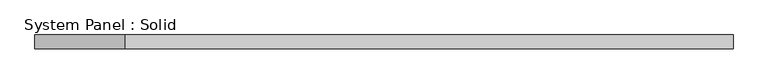
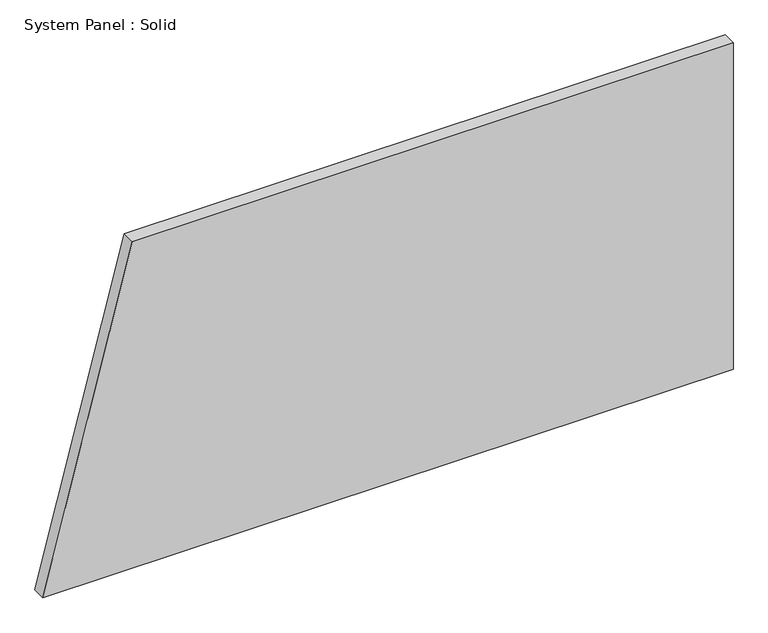
"""IFC4 building model written with IfcOpenShell, lengths in millimetres: plate geometry, System Panel : Solid."""

from ifc_helpers import new_model, si_unit, frame, origin, place, context, project, spatial, polyline, outline, extrude, source, transform, mapped, element, save


def system_panel_solid_f8a1e95d(model_context):
    return source(origin(), model_context, "Body", "SweptSolid", [
        extrude(outline(polyline([(0.0, -1500.0000002), (0.0, 1500.0000002), (1500.0, 1500.0000002), (1500.0, -1111.4334652), (0.0, -1500.0000002)])), frame((0.0, -10.5, 0.0), z_axis=(0.0, 1.0, 0.0), x_axis=(0.0, 0.0, 1.0)), (0.0, 0.0, 1.0), 60.0),
    ])


if __name__ == "__main__":
    model = new_model("IFC4")
    model_context = context("Model", 3, world=origin())
    ifc_project = project(units=[si_unit("LENGTHUNIT", "METRE", prefix="MILLI")], contexts=[model_context])
    site = spatial("IfcSite", under=ifc_project)
    building = spatial("IfcBuilding", under=site)
    placement = place(None, origin())
    system_panel_solid_shape = system_panel_solid_f8a1e95d(model_context)
    element("IfcPlate", 1, ObjectType="System Panel : Solid", at=placement, inside=building, context=model_context, shape_type="MappedRepresentation", body=[
        mapped(system_panel_solid_shape, transform((0.0, 0.0, 0.0), x_axis=(1.0, 0.0, 0.0), y_axis=(0.0, 1.0, 0.0), z_axis=(0.0, 0.0, 1.0))),
    ])
    save(model, "model.ifc")
